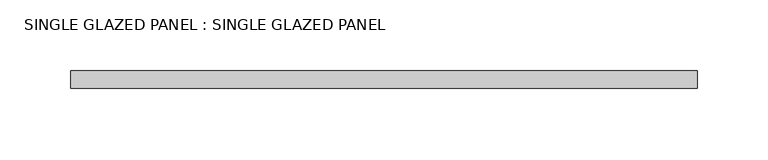
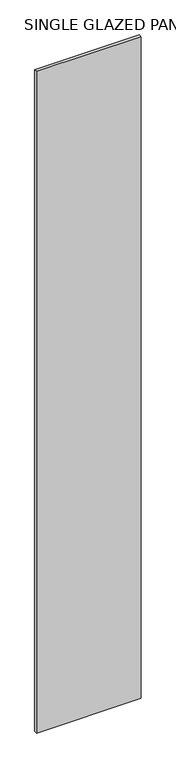
"""IFC4 building model written with IfcOpenShell, lengths in millimetres: plate geometry, SINGLE GLAZED PANEL : SINGLE GLAZED PANEL."""

from ifc_helpers import new_model, si_unit, origin, origin_with_axes, place, context, project, spatial, polyline, outline, extrude, source, transform, mapped, element, save


def single_glazed_panel_single_glazed_panel_28b526a1(model_context):
    return source(origin(), model_context, "Body", "SweptSolid", [
        extrude(outline(polyline([(222.25, 6.35), (222.25, -6.35), (-222.25, -6.35), (-222.25, 6.35), (222.25, 6.35)])), origin_with_axes(), (0.0, 0.0, 1.0), 2968.625),
    ])


if __name__ == "__main__":
    model = new_model("IFC4")
    model_context = context("Model", 3, world=origin())
    ifc_project = project(units=[si_unit("LENGTHUNIT", "METRE", prefix="MILLI")], contexts=[model_context])
    site = spatial("IfcSite", under=ifc_project)
    building = spatial("IfcBuilding", under=site)
    placement = place(None, origin())
    single_glazed_panel_single_glazed_panel_shape = single_glazed_panel_single_glazed_panel_28b526a1(model_context)
    element("IfcPlate", 1, ObjectType="SINGLE GLAZED PANEL : SINGLE GLAZED PANEL", at=placement, inside=building, context=model_context, shape_type="MappedRepresentation", body=[
        mapped(single_glazed_panel_single_glazed_panel_shape, transform((0.0, 0.0, 0.0), x_axis=(1.0, 0.0, 0.0), y_axis=(0.0, 1.0, 0.0), z_axis=(0.0, 0.0, 1.0))),
    ])
    save(model, "model.ifc")
